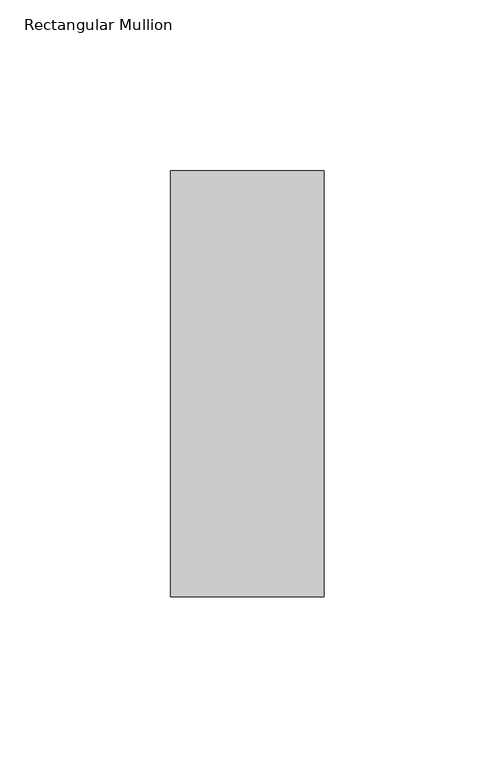
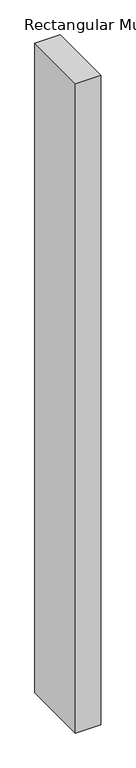
"""IFC4 building model written with IfcOpenShell, lengths in millimetres: member geometry, Rectangular Mullion."""

from ifc_helpers import new_model, si_unit, frame, origin, place, context, project, spatial, polyline, outline, extrude, source, transform, mapped, element, save


def rectangular_mullion_3fffc4ab(model_context):
    return source(origin(), model_context, "Body", "SweptSolid", [
        extrude(outline(polyline([(0.0, -77.84375), (-45.0, -77.84375), (-45.0, 46.84375), (0.0, 46.84375), (0.0, -77.84375)])), frame((0.0, 0.0, -1219.2), z_axis=(0.0, 0.0, 1.0), x_axis=(1.0, 0.0, 0.0)), (0.0, 0.0, 1.0), 1219.2),
    ])


if __name__ == "__main__":
    model = new_model("IFC4")
    model_context = context("Model", 3, world=origin())
    ifc_project = project(units=[si_unit("LENGTHUNIT", "METRE", prefix="MILLI")], contexts=[model_context])
    site = spatial("IfcSite", under=ifc_project)
    building = spatial("IfcBuilding", under=site)
    placement = place(None, origin())
    rectangular_mullion_shape = rectangular_mullion_3fffc4ab(model_context)
    element("IfcMember", 1, ObjectType="Rectangular Mullion", at=placement, inside=building, context=model_context, shape_type="MappedRepresentation", body=[
        mapped(rectangular_mullion_shape, transform((0.0, 0.0, 0.0), x_axis=(1.0, 0.0, 0.0), y_axis=(0.0, 1.0, 0.0), z_axis=(0.0, 0.0, 1.0))),
    ])
    save(model, "model.ifc")
